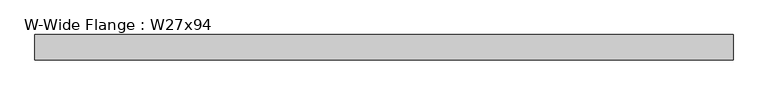
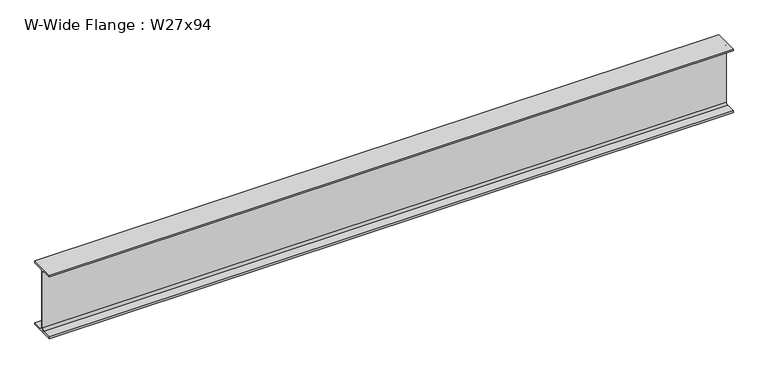
"""IFC4 building model written with IfcOpenShell, lengths in millimetres: beam geometry, W-Wide Flange : W27x94."""

from ifc_helpers import new_model, si_unit, point, frame, frame_2d, origin, place, context, project, spatial, polyline, circle_curve, trimmed, segment, composite_curve, outline, extrude, source, transform, mapped, element, save


def w_wide_flange_w27x94_196470ad(model_context):
    return source(origin(), model_context, "Body", "SweptSolid", [
        extrude(outline(composite_curve([segment(polyline([(127.0, -322.707), (127.0, -341.63), (-127.0, -341.63), (-127.0, -322.707), (-28.575, -322.707)]), True, "CONTINUOUS"), segment(trimmed(circle_curve(frame_2d((-28.575, -300.355)), 22.352), [point((-28.575, -322.707))], [point((-6.223, -300.355))], True, "CARTESIAN"), True, "CONTINUOUS"), segment(polyline([(-6.223, -300.355), (-6.223, 300.355)]), True, "CONTINUOUS"), segment(trimmed(circle_curve(frame_2d((-28.575, 300.355)), 22.352), [point((-6.223, 300.355))], [point((-28.575, 322.707))], True, "CARTESIAN"), True, "CONTINUOUS"), segment(polyline([(-28.575, 322.707), (-127.0, 322.707), (-127.0, 341.63), (127.0, 341.63), (127.0, 322.707), (28.575, 322.707)]), True, "CONTINUOUS"), segment(trimmed(circle_curve(frame_2d((28.575, 300.355)), 22.352), [point((28.575, 322.707))], [point((6.223, 300.355))], True, "CARTESIAN"), True, "CONTINUOUS"), segment(polyline([(6.223, 300.355), (6.223, -300.355)]), True, "CONTINUOUS"), segment(trimmed(circle_curve(frame_2d((28.575, -300.355)), 22.352), [point((6.223, -300.355))], [point((28.575, -322.707))], True, "CARTESIAN"), True, "CONTINUOUS"), segment(polyline([(28.575, -322.707), (127.0, -322.707)]), True, "CONTINUOUS")], self_intersect=False)), frame((-3467.7388678, 0.0, 0.0), z_axis=(1.0, 0.0, 0.0), x_axis=(0.0, 1.0, 0.0)), (0.0, 0.0, 1.0), 6962.1477356),
    ])


if __name__ == "__main__":
    model = new_model("IFC4")
    model_context = context("Model", 3, world=origin())
    ifc_project = project(units=[si_unit("LENGTHUNIT", "METRE", prefix="MILLI")], contexts=[model_context])
    site = spatial("IfcSite", under=ifc_project)
    building = spatial("IfcBuilding", under=site)
    placement = place(None, origin())
    w_wide_flange_w27x94_shape = w_wide_flange_w27x94_196470ad(model_context)
    element("IfcBeam", 1, ObjectType="W-Wide Flange : W27x94", at=placement, inside=building, context=model_context, shape_type="MappedRepresentation", body=[
        mapped(w_wide_flange_w27x94_shape, transform((0.0, 0.0, 0.0), x_axis=(1.0, 0.0, 0.0), y_axis=(0.0, 1.0, 0.0), z_axis=(0.0, 0.0, 1.0))),
    ])
    save(model, "model.ifc")
